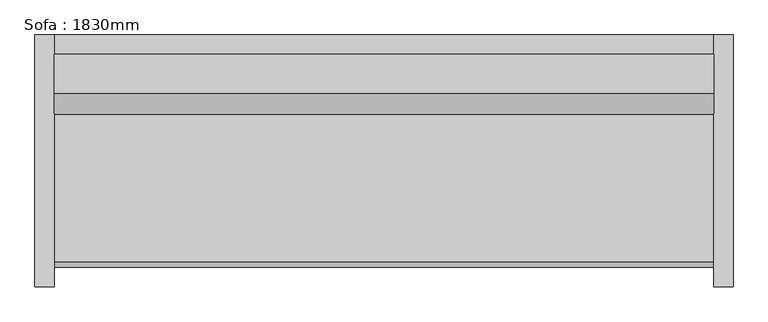
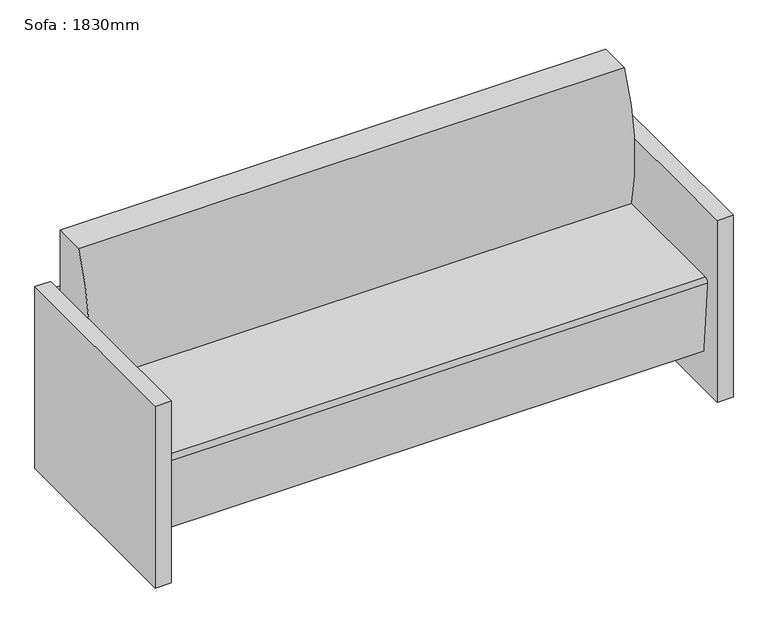
"""IFC4 building model written with IfcOpenShell, lengths in millimetres: furniture geometry, Sofa : 1830mm."""

import ifcopenshell
import ifcopenshell.guid

model = None  # the IFC model being written
_history = None  # IfcOwnerHistory: only IFC2X3 demands one
_inside = {}  # id of a spatial element -> (the spatial element, [elements in it])
_under = {}  # id of a project, library or spatial element -> (it, [spatial elements below it])
_declared = {}  # id of a project -> (the project, [libraries it declares])
_typed = {}  # id of a type object -> (the type object, [elements of that type])
_made_of = {}  # id of a material, layer set ... -> (it, [elements and type objects made of it])


def new_model(schema):
    """Start an empty IFC model of exactly this schema.

    Asked for "IFC4X3", IfcOpenShell would pick the latest addendum, in which some entities
    have other attributes; the version numbers below select the first issue.
    IFC2X3 requires an IfcOwnerHistory on every rooted entity: one is made here for all.
    """
    global model, _history
    if schema == "IFC4X3":
        model = ifcopenshell.file(schema_version=(4, 3, 0, 0))
    else:
        model = ifcopenshell.file(schema=schema)
    _inside.clear()
    _under.clear()
    _declared.clear()
    _typed.clear()
    _made_of.clear()
    _history = None
    if model.schema == "IFC2X3":
        org = make("IfcOrganization", Name="unknown")
        user = make(
            "IfcPersonAndOrganization",
            ThePerson=make("IfcPerson", FamilyName="unknown"),
            TheOrganization=org,
        )
        app = make(
            "IfcApplication",
            ApplicationDeveloper=org,
            Version="unknown",
            ApplicationFullName="unknown",
            ApplicationIdentifier="unknown",
        )
        _history = make(
            "IfcOwnerHistory",
            OwningUser=user,
            OwningApplication=app,
            ChangeAction="ADDED",
            CreationDate=0,
        )
    return model


def make(cls, **values):
    """One entity of the class cls with the attributes given. An attribute that is None is left unset."""
    return model.create_entity(
        cls, **{name: value for name, value in values.items() if value is not None}
    )


def rooted(cls, **values):
    """An entity with a GlobalId (a new one), such as an element, a storey or a relation."""
    return make(cls, GlobalId=ifcopenshell.guid.new(), OwnerHistory=_history, **values)


def si_unit(unit_type, name, prefix=None):
    """IfcSIUnit, for example si_unit("LENGTHUNIT", "METRE", prefix="MILLI")."""
    return make("IfcSIUnit", UnitType=unit_type, Prefix=prefix, Name=name)


def assignment(units):
    """IfcUnitAssignment: the units of a project."""
    return None if units is None else make("IfcUnitAssignment", Units=units)


def point(xyz):
    """IfcCartesianPoint."""
    return None if xyz is None else make("IfcCartesianPoint", Coordinates=xyz)


def direction(xyz):
    """IfcDirection."""
    return None if xyz is None else make("IfcDirection", DirectionRatios=xyz)


def frame(location, z_axis=None, x_axis=None):
    """IfcAxis2Placement3D, a coordinate frame: its origin and axes. An axis left out is left unset."""
    return make(
        "IfcAxis2Placement3D",
        Location=point(location),
        Axis=direction(z_axis),
        RefDirection=direction(x_axis),
    )


def frame_2d(location, x_axis=None):
    """IfcAxis2Placement2D, a coordinate frame in the plane: its origin and x axis."""
    return make(
        "IfcAxis2Placement2D", Location=point(location), RefDirection=direction(x_axis)
    )


def origin():
    """The frame at (0, 0, 0) with its axes left unset."""
    return frame((0.0, 0.0, 0.0))


def origin_with_axes():
    """The frame at (0, 0, 0) with the z axis (0, 0, 1) and the x axis (1, 0, 0) written out."""
    return frame((0.0, 0.0, 0.0), z_axis=(0.0, 0.0, 1.0), x_axis=(1.0, 0.0, 0.0))


def place(relative_to, where):
    """IfcLocalPlacement: puts the frame where relative to a parent placement (None: the world)."""
    return make(
        "IfcLocalPlacement", PlacementRelTo=relative_to, RelativePlacement=where
    )


def context(
    kind, dimensions, precision=None, world=None, true_north=None, identifier=None
):
    """IfcGeometricRepresentationContext, for example the 3D "Model" context."""
    return make(
        "IfcGeometricRepresentationContext",
        ContextIdentifier=identifier,
        ContextType=kind,
        CoordinateSpaceDimension=dimensions,
        Precision=precision,
        WorldCoordinateSystem=world,
        TrueNorth=true_north,
    )


def project(units=None, contexts=None):
    """IfcProject with its units and contexts."""
    return rooted(
        "IfcProject",
        Name="project",
        RepresentationContexts=contexts,
        UnitsInContext=assignment(units),
    )


def spatial(cls, under=None, at=None, **own):
    """A site, building, storey or space (cls), placed at a placement, below another one or the project."""
    s = rooted(cls, ObjectPlacement=at, **own)
    if under is not None:
        _under.setdefault(under.id(), (under, []))[1].append(s)
    return s


def polyline(points):
    """IfcPolyline through the points."""
    return make("IfcPolyline", Points=[point(p) for p in points])


def circle_curve(where, radius):
    """IfcCircle in the frame where."""
    return make("IfcCircle", Position=where, Radius=radius)


def trimmed(basis, trim1, trim2, sense, master):
    """IfcTrimmedCurve: the piece of a basis curve between two trims."""
    return make(
        "IfcTrimmedCurve",
        BasisCurve=basis,
        Trim1=trim1,
        Trim2=trim2,
        SenseAgreement=sense,
        MasterRepresentation=master,
    )


def segment(curve, same_sense, transition):
    """IfcCompositeCurveSegment."""
    return make(
        "IfcCompositeCurveSegment",
        Transition=transition,
        SameSense=same_sense,
        ParentCurve=curve,
    )


def composite_curve(segments, self_intersect=None):
    """IfcCompositeCurve: segments joined end to end."""
    return make("IfcCompositeCurve", Segments=segments, SelfIntersect=self_intersect)


def outline(outer, holes=None, kind="AREA"):
    """IfcArbitraryClosedProfileDef: a profile drawn as a closed curve; with holes, ...WithVoids."""
    if holes is None:
        return make("IfcArbitraryClosedProfileDef", ProfileType=kind, OuterCurve=outer)
    return make(
        "IfcArbitraryProfileDefWithVoids",
        ProfileType=kind,
        OuterCurve=outer,
        InnerCurves=holes,
    )


def extrude(swept, where, along, depth):
    """IfcExtrudedAreaSolid: the profile swept, set in the frame where, extruded along a direction by depth."""
    return make(
        "IfcExtrudedAreaSolid",
        SweptArea=swept,
        Position=where,
        ExtrudedDirection=direction(along),
        Depth=depth,
    )


def shape(context_of_items, identifier, shape_type, items):
    """IfcShapeRepresentation: the items that make up one representation, for example the "Body"."""
    return make(
        "IfcShapeRepresentation",
        ContextOfItems=context_of_items,
        RepresentationIdentifier=identifier,
        RepresentationType=shape_type,
        Items=items,
    )


def source(mapping_origin, context_of_items, identifier, shape_type, items):
    """IfcRepresentationMap: a shape defined once, which mapped items show again and again."""
    return make(
        "IfcRepresentationMap",
        MappingOrigin=mapping_origin,
        MappedRepresentation=shape(context_of_items, identifier, shape_type, items),
    )


def transform(
    local_origin,
    x_axis=None,
    y_axis=None,
    z_axis=None,
    scale=None,
    scale2=None,
    scale3=None,
    uniform=True,
):
    """IfcCartesianTransformationOperator3D, or its non-uniform kind. x_axis, y_axis, z_axis: its Axis1, 2, 3."""
    if uniform:
        return make(
            "IfcCartesianTransformationOperator3D",
            Axis1=direction(x_axis),
            Axis2=direction(y_axis),
            LocalOrigin=point(local_origin),
            Scale=scale,
            Axis3=direction(z_axis),
        )
    return make(
        "IfcCartesianTransformationOperator3DnonUniform",
        Axis1=direction(x_axis),
        Axis2=direction(y_axis),
        LocalOrigin=point(local_origin),
        Scale=scale,
        Axis3=direction(z_axis),
        Scale2=scale2,
        Scale3=scale3,
    )


def mapped(mapping_source, mapping_target):
    """IfcMappedItem: shows the shape of a source again, moved by a transform."""
    return make(
        "IfcMappedItem", MappingSource=mapping_source, MappingTarget=mapping_target
    )


def made_of(thing, what):
    """Note that an element or type object is made of a material, layer set ...; save() writes the relation."""
    if what is not None:
        _made_of.setdefault(what.id(), (what, []))[1].append(thing)
    return thing


def element(
    cls,
    number,
    at=None,
    inside=None,
    cuts=None,
    type_object=None,
    material=None,
    context=None,
    identifier="Body",
    shape_type=None,
    held_by="IfcProductDefinitionShape",
    body=None,
    shapes=None,
    **own,
):
    """One element of the class cls, such as IfcWall. Its Tag is "e" and its number.

    at: its placement. inside: the storey or other place that contains it. cuts: it is an
    opening in that element (IfcRelVoidsElement). A single representation is given by context,
    identifier, shape_type and body (its items); several are given by shapes. held_by: the class
    of the entity that holds the representations. save() writes the other relations.
    """
    e = rooted(cls, Tag="e%d" % number, ObjectPlacement=at, **own)
    if body is not None:
        shapes = [shape(context, identifier, shape_type, body)]
    if shapes is not None:
        e.Representation = make(held_by, Representations=shapes)
    if inside is not None:
        _inside.setdefault(inside.id(), (inside, []))[1].append(e)
    if cuts is not None:
        rooted(
            "IfcRelVoidsElement", RelatingBuildingElement=cuts, RelatedOpeningElement=e
        )
    if type_object is not None:
        _typed.setdefault(type_object.id(), (type_object, []))[1].append(e)
    return made_of(e, material)


def aggregate(whole, parts):
    """IfcRelAggregates: a whole, such as a stair, and the parts it consists of."""
    return rooted("IfcRelAggregates", RelatingObject=whole, RelatedObjects=parts)


def save(model, path):
    """Write the relations noted so far, then the file.

    IfcRelAggregates (storeys below a building ...), IfcRelContainedInSpatialStructure (elements
    in a storey), IfcRelDefinesByType, IfcRelAssociatesMaterial and IfcRelDeclares: one each for
    every whole, place, type object, material and project.
    """
    for whole, parts in _under.values():
        aggregate(whole, parts)
    for where, things in _inside.values():
        rooted(
            "IfcRelContainedInSpatialStructure",
            RelatedElements=things,
            RelatingStructure=where,
        )
    for kind, things in _typed.values():
        rooted("IfcRelDefinesByType", RelatedObjects=things, RelatingType=kind)
    for what, things in _made_of.values():
        rooted("IfcRelAssociatesMaterial", RelatedObjects=things, RelatingMaterial=what)
    for by, libraries in _declared.values():
        rooted("IfcRelDeclares", RelatingContext=by, RelatedDefinitions=libraries)
    model.write(path)


def sofa_1830mm_f9e8a66b(model_context):
    return source(origin(), model_context, "Body", "SweptSolid", [
        extrude(outline(polyline([(-793.8295082, 425.5540984), (-793.8295082, 476.3540984), (934.5704918, 476.3540984), (934.5704918, 425.5540984), (-793.8295082, 425.5540984)])), frame((0.0, 0.0, 457.2), z_axis=(0.0, 0.0, 1.0), x_axis=(1.0, 0.0, 0.0)), (0.0, 0.0, 1.0), 127.0),
        extrude(outline(polyline([(-793.8295082, 425.5540984), (-793.8295082, 476.3540984), (934.5704918, 476.3540984), (934.5704918, 425.5540984), (-793.8295082, 425.5540984)])), frame((0.0, 0.0, 266.7), z_axis=(0.0, 0.0, 1.0), x_axis=(1.0, 0.0, 0.0)), (0.0, 0.0, 1.0), 127.0),
        extrude(outline(polyline([(-793.8295082, 425.5540984), (-793.8295082, 476.3540984), (934.5704918, 476.3540984), (934.5704918, 425.5540984), (-793.8295082, 425.5540984)])), frame((0.0, 0.0, 76.2), z_axis=(0.0, 0.0, 1.0), x_axis=(1.0, 0.0, 0.0)), (0.0, 0.0, 1.0), 127.0),
        extrude(outline(composite_curve([segment(trimmed(circle_curve(frame_2d((926.517198, 542.5300036)), 660.4), [point((286.1764935, 381.0))], [point((323.9540984, 812.8))], False, "CARTESIAN"), True, "CONTINUOUS"), segment(polyline([(323.9540984, 812.8), (425.5540984, 812.8), (425.5540984, 127.9665467), (-111.108343, 127.9665467), (-132.0379563, 367.1931221)]), True, "CONTINUOUS"), segment(trimmed(circle_curve(frame_2d((-119.3862837, 368.3)), 12.7), [point((-132.0379563, 367.1931221))], [point((-119.3862837, 381.0))], False, "CARTESIAN"), True, "CONTINUOUS"), segment(polyline([(-119.3862837, 381.0), (286.1764935, 381.0)]), True, "CONTINUOUS")], self_intersect=False)), frame((-793.8295082, 0.0, 0.0), z_axis=(1.0, 0.0, 0.0), x_axis=(0.0, 1.0, 0.0)), (0.0, 0.0, 1.0), 1728.4),
        extrude(outline(polyline([(-793.8295082, 476.3540984), (-793.8295082, -184.0459016), (-844.6295082, -184.0459016), (-844.6295082, 476.3540984), (-793.8295082, 476.3540984)])), origin_with_axes(), (0.0, 0.0, 1.0), 609.6),
        extrude(outline(polyline([(985.3704918, 476.3540984), (985.3704918, -184.0459016), (934.5704918, -184.0459016), (934.5704918, 476.3540984), (985.3704918, 476.3540984)])), origin_with_axes(), (0.0, 0.0, 1.0), 609.6),
    ])


if __name__ == "__main__":
    model = new_model("IFC4")
    model_context = context("Model", 3, world=origin())
    ifc_project = project(units=[si_unit("LENGTHUNIT", "METRE", prefix="MILLI")], contexts=[model_context])
    site = spatial("IfcSite", under=ifc_project)
    building = spatial("IfcBuilding", under=site)
    placement = place(None, origin())
    sofa_1830mm_shape = sofa_1830mm_f9e8a66b(model_context)
    element("IfcFurniture", 1, ObjectType="Sofa : 1830mm", at=placement, inside=building, context=model_context, shape_type="MappedRepresentation", body=[
        mapped(sofa_1830mm_shape, transform((0.0, 0.0, 0.0), x_axis=(1.0, 0.0, 0.0), y_axis=(0.0, 1.0, 0.0), z_axis=(0.0, 0.0, 1.0))),
    ])
    save(model, "model.ifc")
